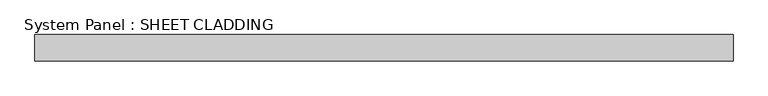
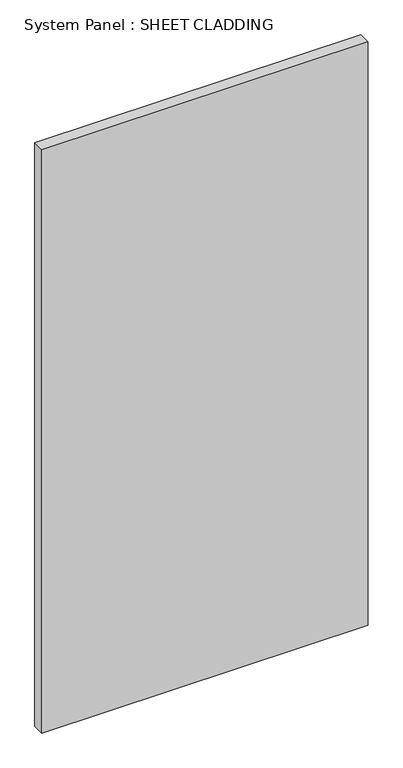
"""IFC4 building model written with IfcOpenShell, lengths in millimetres: plate geometry, System Panel : SHEET CLADDING."""

from ifc_helpers import new_model, si_unit, origin, origin_with_axes, place, context, project, spatial, polyline, outline, extrude, source, transform, mapped, element, save


def system_panel_sheet_cladding_12b2ed3b(model_context):
    return source(origin(), model_context, "Body", "SweptSolid", [
        extrude(outline(polyline([(802.0833333, -49.5), (-802.0833333, -49.5), (-802.0833333, 10.5), (802.0833333, 10.5), (802.0833333, -49.5)])), origin_with_axes(), (0.0, 0.0, 1.0), 3031.35),
    ])


if __name__ == "__main__":
    model = new_model("IFC4")
    model_context = context("Model", 3, world=origin())
    ifc_project = project(units=[si_unit("LENGTHUNIT", "METRE", prefix="MILLI")], contexts=[model_context])
    site = spatial("IfcSite", under=ifc_project)
    building = spatial("IfcBuilding", under=site)
    placement = place(None, origin())
    system_panel_sheet_cladding_shape = system_panel_sheet_cladding_12b2ed3b(model_context)
    element("IfcPlate", 1, ObjectType="System Panel : SHEET CLADDING", at=placement, inside=building, context=model_context, shape_type="MappedRepresentation", body=[
        mapped(system_panel_sheet_cladding_shape, transform((0.0, 0.0, 0.0), x_axis=(1.0, 0.0, 0.0), y_axis=(0.0, 1.0, 0.0), z_axis=(0.0, 0.0, 1.0))),
    ])
    save(model, "model.ifc")
